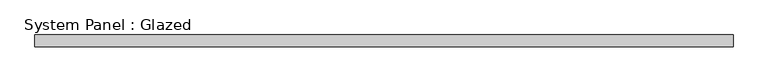
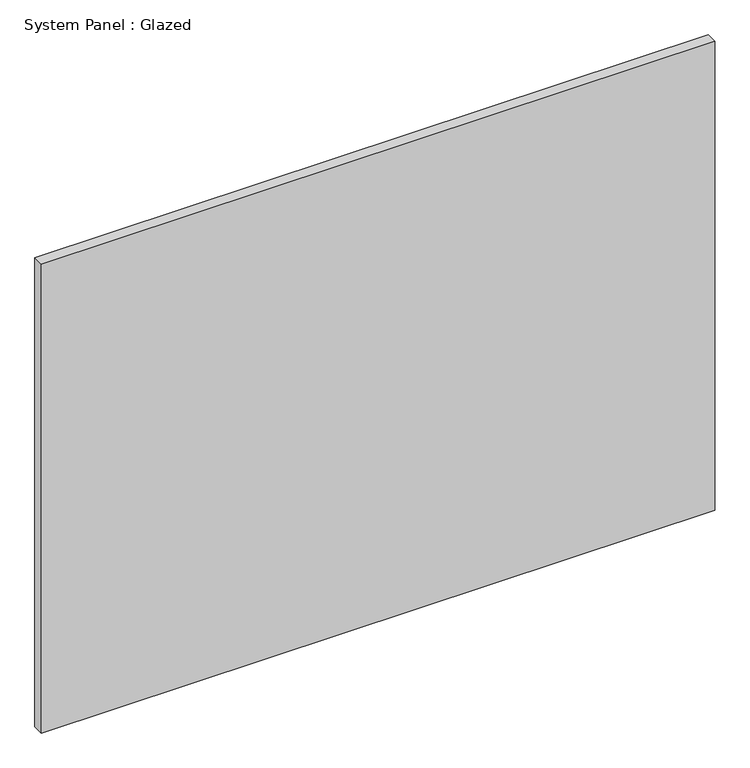
"""IFC4 building model written with IfcOpenShell, lengths in millimetres: plate geometry, System Panel : Glazed."""

from ifc_helpers import new_model, si_unit, origin, origin_with_axes, place, context, project, spatial, polyline, outline, extrude, source, transform, mapped, element, save


def system_panel_glazed_307fb37f(model_context):
    return source(origin(), model_context, "Body", "SweptSolid", [
        extrude(outline(polyline([(744.2501096, 24.5), (-744.2501096, 24.5), (-744.2501096, 49.5), (744.2501096, 49.5), (744.2501096, 24.5)])), origin_with_axes(), (0.0, 0.0, 1.0), 1095.0),
    ])


if __name__ == "__main__":
    model = new_model("IFC4")
    model_context = context("Model", 3, world=origin())
    ifc_project = project(units=[si_unit("LENGTHUNIT", "METRE", prefix="MILLI")], contexts=[model_context])
    site = spatial("IfcSite", under=ifc_project)
    building = spatial("IfcBuilding", under=site)
    placement = place(None, origin())
    system_panel_glazed_shape = system_panel_glazed_307fb37f(model_context)
    element("IfcPlate", 1, ObjectType="System Panel : Glazed", at=placement, inside=building, context=model_context, shape_type="MappedRepresentation", body=[
        mapped(system_panel_glazed_shape, transform((0.0, 0.0, 0.0), x_axis=(1.0, 0.0, 0.0), y_axis=(0.0, 1.0, 0.0), z_axis=(0.0, 0.0, 1.0))),
    ])
    save(model, "model.ifc")
